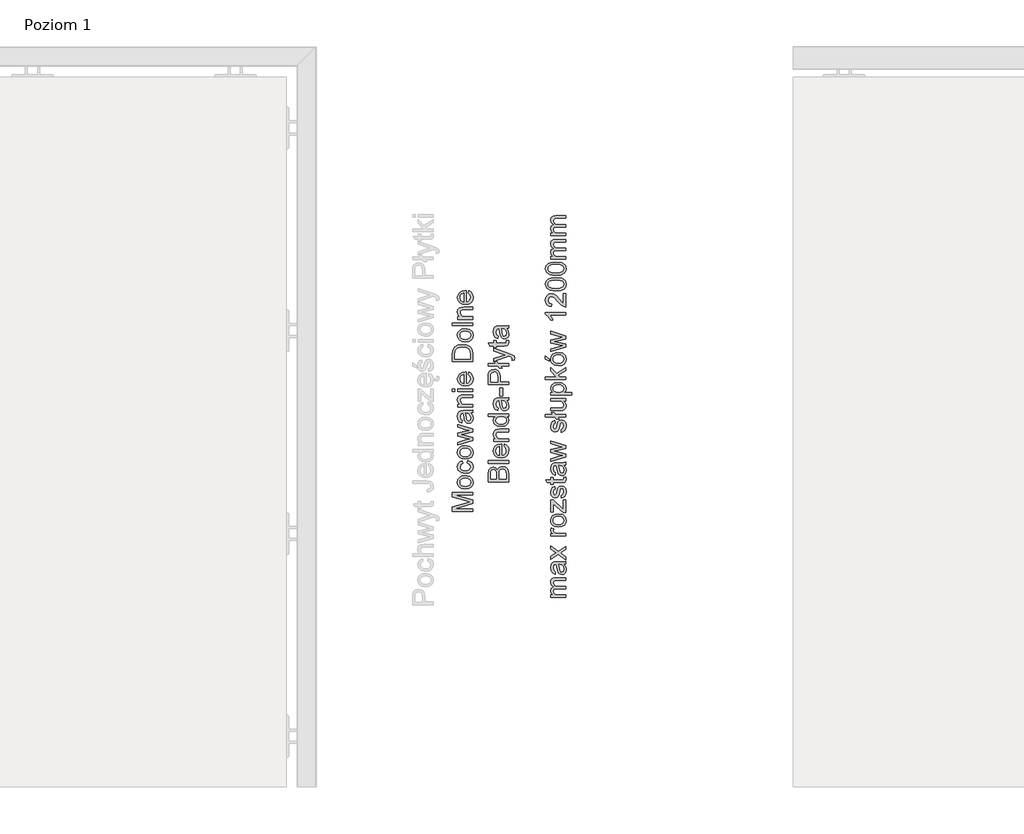
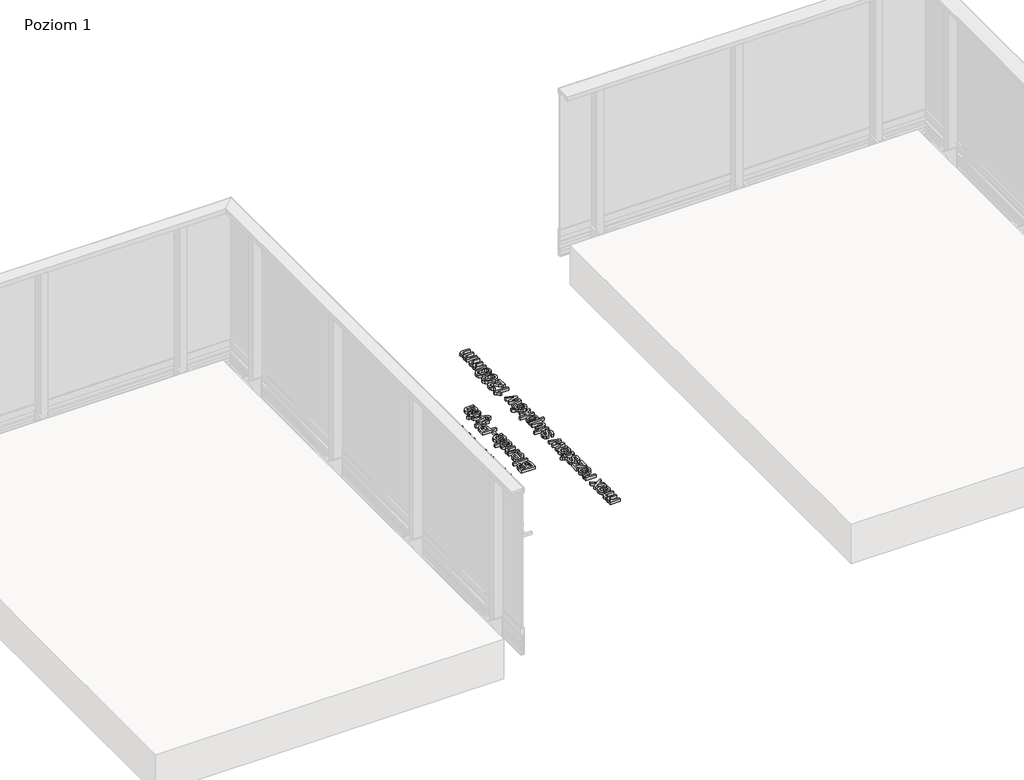
# One storey, part 18 of 35: 3 proxies.
"""IFC4 building model written with IfcOpenShell, lengths in millimetres."""

from ifc_helpers import new_model, si_unit, origin, origin_with_axes, place, context, project, spatial, polyline, outline, extrude, element, save

model = new_model("IFC4")

# Units and contexts
model_context = context("Model", 3, world=origin())
ifc_project = project(units=[si_unit("LENGTHUNIT", "METRE", prefix="MILLI")], contexts=[model_context])

# Site, building, storey
site = spatial("IfcSite", under=ifc_project)
building = spatial("IfcBuilding", under=site)
storey = spatial("IfcBuildingStorey", under=building, Name="Poziom 1", Elevation=0.0)

# Proxies
placement = place(None, origin())
element("IfcBuildingElementProxy", 1, Name="Generic Models", at=placement, inside=storey, context=model_context, shape_type="SweptSolid", body=[
    extrude(outline(polyline([(10311.0111089, -8270.0219111), (10210.5547987, -8270.0219111), (10210.5547987, -8248.4149753), (10281.3598201, -8227.8626345), (10296.1486763, -8223.7178306), (10280.1335468, -8219.2296703), (10210.5547987, -8199.020686), (10210.5547987, -8177.4137502), (10311.0111089, -8177.4137502), (10311.0111089, -8189.970789), (10223.1118375, -8189.970789), (10311.0111089, -8215.2074938), (10311.0111089, -8232.2281675), (10223.1118375, -8257.4648723), (10311.0111089, -8257.4648723), (10311.0111089, -8270.0219111)])), origin_with_axes(), (0.0, 0.0, 1.0), 20.0),
    extrude(outline(polyline([(10274.1248075, -8160.1478219), (10256.337713, -8157.4316265), (10243.8358566, -8149.2830403), (10237.7106214, -8139.2153364), (10235.6688763, -8127.1610696), (10238.1551454, -8113.9694344), (10245.6139529, -8103.432681), (10257.4566874, -8096.5256965), (10273.0947379, -8094.2233683), (10295.4374378, -8098.2945958), (10308.0803157, -8110.1526587), (10312.5807387, -8127.1610696), (10310.1036666, -8140.5121204), (10302.6724503, -8151.0366111), (10290.5813954, -8157.8700192), (10274.1248075, -8160.1478219)]), holes=[polyline([(10274.100282, -8147.5907831), (10285.46477, -8146.1376492), (10293.5612396, -8141.7782476), (10298.4080849, -8135.2176853), (10300.0237, -8127.1610696), (10298.3988878, -8119.1412421), (10293.5244514, -8112.5929426), (10285.3206829, -8108.233541), (10273.7078746, -8106.7804071), (10262.6744804, -8108.242738), (10254.6883754, -8112.6297308), (10249.8415301, -8119.1872274), (10248.225915, -8127.1610696), (10249.8353988, -8135.2176853), (10254.66385, -8141.7782476), (10262.7419254, -8146.1376492), (10274.100282, -8147.5907831)])]), origin_with_axes(), (0.0, 0.0, 1.0), 20.0),
    extrude(outline(polyline([(10284.3274015, -8033.0078043), (10285.8970314, -8020.4507656), (10297.0653156, -8023.9517759), (10305.5051417, -8030.5307322), (10310.8118395, -8039.5683666), (10312.5807387, -8050.4454109), (10310.1128637, -8063.802593), (10302.7092385, -8074.247376), (10290.6948257, -8080.9888136), (10274.3945876, -8083.2359594), (10253.5356785, -8079.3977239), (10240.1325112, -8067.6990765), (10235.6688763, -8050.6170892), (10237.2017179, -8040.0067593), (10241.8002429, -8031.5240136), (10249.2191964, -8025.4386323), (10259.213324, -8022.0203954), (10260.7829538, -8034.5774342), (10251.3774375, -8040.4022324), (10248.225915, -8050.5189873), (10249.7771508, -8058.633851), (10254.430858, -8065.0748516), (10262.4384228, -8069.2779034), (10274.0512311, -8070.6789207), (10285.8203893, -8069.3085602), (10293.8555452, -8065.1974789), (10298.4816613, -8058.8729743), (10300.0237, -8050.8623438), (10296.1732018, -8039.0288063), (10284.3274015, -8033.0078043)])), origin_with_axes(), (0.0, 0.0, 1.0), 20.0),
    extrude(outline(polyline([(10274.1248075, -8012.6026163), (10256.337713, -8009.8864209), (10243.8358566, -8001.7378348), (10237.7106214, -7991.6701308), (10235.6688763, -7979.6158641), (10238.1551454, -7966.4242289), (10245.6139529, -7955.8874754), (10257.4566874, -7948.980491), (10273.0947379, -7946.6781628), (10295.4374378, -7950.7493902), (10308.0803157, -7962.6074532), (10312.5807387, -7979.6158641), (10310.1036666, -7992.9669149), (10302.6724503, -8003.4914056), (10290.5813954, -8010.3248137), (10274.1248075, -8012.6026163)]), holes=[polyline([(10274.100282, -8000.0455776), (10285.46477, -7998.5924437), (10293.5612396, -7994.2330421), (10298.4080849, -7987.6724798), (10300.0237, -7979.6158641), (10298.3988878, -7971.5960366), (10293.5244514, -7965.0477371), (10285.3206829, -7960.6883355), (10273.7078746, -7959.2352016), (10262.6744804, -7960.6975325), (10254.6883754, -7965.0845253), (10249.8415301, -7971.6420219), (10248.225915, -7979.6158641), (10249.8353988, -7987.6724798), (10254.66385, -7994.2330421), (10262.7419254, -7998.5924437), (10274.100282, -8000.0455776)])]), origin_with_axes(), (0.0, 0.0, 1.0), 20.0),
    extrude(outline(polyline([(10311.0111089, -7920.3132865), (10237.2385061, -7942.7540882), (10237.2385061, -7929.7065401), (10280.2806996, -7916.9778231), (10295.658167, -7913.1763758), (10280.8447853, -7910.0616416), (10237.2385061, -7899.932624), (10237.2385061, -7884.9720895), (10280.722158, -7874.8921228), (10294.137588, -7872.1207451), (10279.986394, -7868.1476196), (10237.2385061, -7855.3943771), (10237.2385061, -7842.297778), (10311.0111089, -7864.910258), (10311.0111089, -7880.0915217), (10267.7481863, -7889.73003), (10254.2591798, -7892.5259331), (10311.0111089, -7904.9603446), (10311.0111089, -7920.3132865)])), origin_with_axes(), (0.0, 0.0, 1.0), 20.0),
    extrude(outline(polyline([(10301.5933298, -7786.5759185), (10310.1036666, -7798.7528126), (10312.5807387, -7812.2050308), (10311.0908167, -7822.6988648), (10306.6210504, -7830.4397151), (10299.8336276, -7835.212984), (10291.3907358, -7836.8040736), (10281.4579219, -7834.4005779), (10274.2474348, -7828.0852703), (10270.1271565, -7819.2928906), (10268.2386956, -7808.428109), (10263.9222135, -7786.6494949), (10261.1263103, -7786.5759185), (10251.8556841, -7790.0340093), (10248.225915, -7803.9154232), (10250.6416735, -7816.6196148), (10259.213324, -7822.677405), (10257.6436941, -7835.2344437), (10245.380961, -7829.8020529), (10238.1949993, -7818.863695), (10235.6688763, -7802.2967424), (10237.9006937, -7787.0786906), (10243.5047628, -7778.4825146), (10252.0273623, -7774.6320164), (10263.0147713, -7774.0188797), (10278.6374933, -7774.0188797), (10300.4528956, -7773.3812176), (10311.0111089, -7770.87962), (10311.0111089, -7783.4366588), (10301.5933298, -7786.5759185)]), holes=[polyline([(10276.4792523, -7786.5759185), (10280.3297505, -7806.8339537), (10282.3653642, -7817.6374216), (10285.6763022, -7822.5302522), (10290.507819, -7824.2470348), (10297.3013732, -7820.5069012), (10300.0237, -7809.531755), (10297.0193303, -7796.8275634), (10289.7475296, -7788.6360577), (10280.0354449, -7786.6494949), (10276.4792523, -7786.5759185)])]), origin_with_axes(), (0.0, 0.0, 1.0), 20.0),
    extrude(outline(polyline([(10311.0111089, -7756.7529514), (10237.2385061, -7756.7529514), (10237.2385061, -7744.1959127), (10247.539202, -7744.1959127), (10238.6364577, -7734.5941926), (10235.6688763, -7721.4853308), (10238.0601092, -7709.6272679), (10244.3386286, -7701.533864), (10253.5724667, -7697.7692049), (10265.7125726, -7697.1070173), (10311.0111089, -7697.1070173), (10311.0111089, -7709.6640561), (10267.4048297, -7709.6640561), (10256.2947935, -7711.1110586), (10250.4209443, -7716.2246183), (10248.225915, -7724.8453197), (10253.1555338, -7738.4692163), (10260.2985759, -7742.7642386), (10271.8684646, -7744.1959127), (10311.0111089, -7744.1959127), (10311.0111089, -7756.7529514)])), origin_with_axes(), (0.0, 0.0, 1.0), 20.0),
    extrude(outline(polyline([(10223.1118375, -7679.841089), (10210.5547987, -7679.841089), (10210.5547987, -7667.2840502), (10223.1118375, -7667.2840502), (10223.1118375, -7679.841089)])), origin_with_axes(), (0.0, 0.0, 1.0), 20.0),
    extrude(outline(polyline([(10311.0111089, -7679.841089), (10237.2385061, -7679.841089), (10237.2385061, -7667.2840502), (10311.0111089, -7667.2840502), (10311.0111089, -7679.841089)])), origin_with_axes(), (0.0, 0.0, 1.0), 20.0),
    extrude(outline(polyline([(10289.036291, -7596.7978599), (10290.6059209, -7584.4860758), (10299.8826785, -7588.9221196), (10306.8172541, -7596.0007823), (10311.1398676, -7605.5626485), (10312.5807387, -7617.4483026), (10310.0944696, -7632.1819765), (10302.6356621, -7643.5188733), (10290.6886943, -7650.7477545), (10274.7379442, -7653.1573816), (10258.2506994, -7650.7232291), (10245.9205212, -7643.4207715), (10238.2317875, -7632.2371588), (10235.6688763, -7618.1595411), (10238.2256561, -7604.5203161), (10245.8959957, -7593.621812), (10258.2016485, -7586.4757043), (10274.6643678, -7584.0936684), (10278.0488821, -7584.1672448), (10278.0488821, -7640.6003428), (10287.4482671, -7638.4267734), (10294.3583172, -7633.377593), (10298.6073543, -7626.0904638), (10300.0237, -7617.2030479), (10297.3994751, -7604.8912638), (10289.036291, -7596.7978599)]), holes=[polyline([(10265.4918434, -7640.6003428), (10265.4918434, -7596.6507071), (10254.112027, -7601.6784277), (10249.697443, -7608.9992794), (10248.225915, -7618.2085921), (10252.9225419, -7633.6718986), (10258.4131806, -7638.537138), (10265.4918434, -7640.6003428)])]), origin_with_axes(), (0.0, 0.0, 1.0), 20.0),
    extrude(outline(polyline([(10311.0111089, -7530.7262536), (10210.5547987, -7530.7262536), (10210.5547987, -7496.0717697), (10212.0018013, -7478.1436538), (10219.1877629, -7463.379323), (10236.3555893, -7451.4844718), (10260.2433936, -7447.5358718), (10280.5136915, -7450.2091476), (10295.1431322, -7457.0762782), (10304.2543429, -7466.2488026), (10309.2943262, -7478.2540184), (10311.0111089, -7494.4040379), (10311.0111089, -7530.7262536)]), holes=[polyline([(10298.4540701, -7518.1692148), (10298.4540701, -7495.9491423), (10296.6391856, -7479.78686), (10291.5133631, -7470.4671828), (10279.0421635, -7462.8275), (10260.0471898, -7460.0929105), (10246.3619796, -7461.4326141), (10236.2574875, -7465.4517249), (10225.1229257, -7478.4870103), (10223.1118375, -7496.2924988), (10223.1118375, -7518.1692148), (10298.4540701, -7518.1692148)])]), origin_with_axes(), (0.0, 0.0, 1.0), 20.0),
    extrude(outline(polyline([(10274.1248075, -7434.978833), (10256.337713, -7432.2626376), (10243.8358566, -7424.1140514), (10237.7106214, -7414.0463475), (10235.6688763, -7401.9920808), (10238.1551454, -7388.8004455), (10245.6139529, -7378.2636921), (10257.4566874, -7371.3567076), (10273.0947379, -7369.0543795), (10295.4374378, -7373.1256069), (10308.0803157, -7384.9836698), (10312.5807387, -7401.9920808), (10310.1036666, -7415.3431315), (10302.6724503, -7425.8676222), (10290.5813954, -7432.7010303), (10274.1248075, -7434.978833)]), holes=[polyline([(10274.100282, -7422.4217942), (10285.46477, -7420.9686603), (10293.5612396, -7416.6092587), (10298.4080849, -7410.0486964), (10300.0237, -7401.9920808), (10298.3988878, -7393.9722533), (10293.5244514, -7387.4239537), (10285.3206829, -7383.0645521), (10273.7078746, -7381.6114182), (10262.6744804, -7383.0737492), (10254.6883754, -7387.4607419), (10249.8415301, -7394.0182385), (10248.225915, -7401.9920808), (10249.8353988, -7410.0486964), (10254.66385, -7416.6092587), (10262.7419254, -7420.9686603), (10274.100282, -7422.4217942)])]), origin_with_axes(), (0.0, 0.0, 1.0), 20.0),
    extrude(outline(polyline([(10311.0111089, -7354.9277108), (10210.5547987, -7354.9277108), (10210.5547987, -7342.3706721), (10311.0111089, -7342.3706721), (10311.0111089, -7354.9277108)])), origin_with_axes(), (0.0, 0.0, 1.0), 20.0),
    extrude(outline(polyline([(10311.0111089, -7323.5351139), (10237.2385061, -7323.5351139), (10237.2385061, -7310.9780751), (10247.539202, -7310.9780751), (10238.6364577, -7301.3763551), (10235.6688763, -7288.2674933), (10238.0601092, -7276.4094303), (10244.3386286, -7268.3160264), (10253.5724667, -7264.5513674), (10265.7125726, -7263.8891798), (10311.0111089, -7263.8891798), (10311.0111089, -7276.4462185), (10267.4048297, -7276.4462185), (10256.2947935, -7277.893221), (10250.4209443, -7283.0067808), (10248.225915, -7291.6274822), (10253.1555338, -7305.2513788), (10260.2985759, -7309.546401), (10271.8684646, -7310.9780751), (10311.0111089, -7310.9780751), (10311.0111089, -7323.5351139)])), origin_with_axes(), (0.0, 0.0, 1.0), 20.0),
    extrude(outline(polyline([(10289.036291, -7194.9726193), (10290.6059209, -7182.6608352), (10299.8826785, -7187.096879), (10306.8172541, -7194.1755417), (10311.1398676, -7203.7374079), (10312.5807387, -7215.623062), (10310.0944696, -7230.3567359), (10302.6356621, -7241.6936327), (10290.6886943, -7248.9225139), (10274.7379442, -7251.332141), (10258.2506994, -7248.8979885), (10245.9205212, -7241.5955309), (10238.2317875, -7230.4119182), (10235.6688763, -7216.3343005), (10238.2256561, -7202.6950755), (10245.8959957, -7191.7965714), (10258.2016485, -7184.6504637), (10274.6643678, -7182.2684278), (10278.0488821, -7182.3420042), (10278.0488821, -7238.7751022), (10287.4482671, -7236.6015328), (10294.3583172, -7231.5523524), (10298.6073543, -7224.2652232), (10300.0237, -7215.3778073), (10297.3994751, -7203.0660232), (10289.036291, -7194.9726193)]), holes=[polyline([(10265.4918434, -7238.7751022), (10265.4918434, -7194.8254665), (10254.112027, -7199.8531871), (10249.697443, -7207.1740388), (10248.225915, -7216.3833515), (10252.9225419, -7231.846658), (10258.4131806, -7236.7118974), (10265.4918434, -7238.7751022)])]), origin_with_axes(), (0.0, 0.0, 1.0), 20.0),
])
element("IfcBuildingElementProxy", 2, Name="Generic Models", at=placement, inside=storey, context=model_context, shape_type="SweptSolid", body=[
    extrude(outline(polyline([(10487.3598268, -8124.2917723), (10386.9035167, -8124.2917723), (10386.9035167, -8085.9584684), (10389.8588354, -8067.184224), (10398.9455207, -8056.0987132), (10411.796865, -8052.0887994), (10423.5323007, -8055.461051), (10432.4227822, -8065.6513823), (10441.7915104, -8053.2782845), (10457.4142324, -8048.9495397), (10470.9155017, -8051.9048584), (10480.5294845, -8059.2257101), (10485.6307815, -8070.1518054), (10487.3598268, -8086.252774), (10487.3598268, -8124.2917723)]), holes=[polyline([(10427.7138927, -8111.7347336), (10427.7138927, -8088.8034225), (10426.6347722, -8075.4125179), (10421.9871963, -8067.3559022), (10413.8079533, -8064.6458382), (10405.6164475, -8067.1719612), (10400.7726679, -8074.4069738), (10399.4605555, -8090.5447307), (10399.4605555, -8111.7347336), (10427.7138927, -8111.7347336)]), polyline([(10474.8027881, -8111.7347336), (10474.8027881, -8085.9829939), (10474.3122788, -8076.6633167), (10471.5776893, -8068.7783793), (10465.9981457, -8063.5544549), (10457.5368598, -8061.5065785), (10447.7757242, -8063.9100742), (10441.9509259, -8071.6969098), (10440.2709315, -8087.2092672), (10440.2709315, -8111.7347336), (10474.8027881, -8111.7347336)])]), origin_with_axes(), (0.0, 0.0, 1.0), 20.0),
    extrude(outline(polyline([(10487.3598268, -8033.2532413), (10386.9035167, -8033.2532413), (10386.9035167, -8020.6962025), (10487.3598268, -8020.6962025), (10487.3598268, -8033.2532413)])), origin_with_axes(), (0.0, 0.0, 1.0), 20.0),
    extrude(outline(polyline([(10465.385009, -7950.2100122), (10466.9546388, -7937.8982281), (10476.2313965, -7942.3342718), (10483.1659721, -7949.4129346), (10487.4885855, -7958.9748008), (10488.9294567, -7970.8604549), (10486.4431875, -7985.5941288), (10478.9843801, -7996.9310256), (10467.0374123, -8004.1599068), (10451.0866621, -8006.5695339), (10434.5994174, -8004.1353814), (10422.2692392, -7996.8329237), (10414.5805055, -7985.6493111), (10412.0175942, -7971.5716934), (10414.5743741, -7957.9324684), (10422.2447137, -7947.0339643), (10434.5503664, -7939.8878566), (10451.0130857, -7937.5058207), (10454.3976001, -7937.5793971), (10454.3976001, -7994.0124951), (10463.7969851, -7991.8389257), (10470.7070352, -7986.7897453), (10474.9560722, -7979.5026161), (10476.3724179, -7970.6152002), (10473.748193, -7958.3034161), (10465.385009, -7950.2100122)]), holes=[polyline([(10441.8405613, -7994.0124951), (10441.8405613, -7950.0628594), (10430.4607449, -7955.09058), (10426.046161, -7962.4114317), (10424.574633, -7971.6207443), (10429.2712598, -7987.0840509), (10434.7618986, -7991.9492903), (10441.8405613, -7994.0124951)])]), origin_with_axes(), (0.0, 0.0, 1.0), 20.0),
    extrude(outline(polyline([(10487.3598268, -7924.9487819), (10413.5872241, -7924.9487819), (10413.5872241, -7912.3917431), (10423.8879199, -7912.3917431), (10414.9851757, -7902.790023), (10412.0175942, -7889.6811613), (10414.4088272, -7877.8230983), (10420.6873466, -7869.7296944), (10429.9211847, -7865.9650353), (10442.0612905, -7865.3028477), (10487.3598268, -7865.3028477), (10487.3598268, -7877.8598865), (10443.7535477, -7877.8598865), (10432.6435114, -7879.306889), (10426.7696622, -7884.4204488), (10424.574633, -7893.0411502), (10429.5042517, -7906.6650467), (10436.6472938, -7910.960069), (10448.2171826, -7912.3917431), (10487.3598268, -7912.3917431), (10487.3598268, -7924.9487819)])), origin_with_axes(), (0.0, 0.0, 1.0), 20.0),
    extrude(outline(polyline([(10487.3598268, -7802.5176539), (10475.5140266, -7802.5176539), (10485.5755992, -7810.8256556), (10488.9294567, -7822.3097052), (10484.0734144, -7837.8588509), (10470.5230942, -7848.8462598), (10450.5471019, -7852.745809), (10430.5588468, -7849.1528282), (10416.8000602, -7838.3861484), (10412.0175942, -7822.3587562), (10415.4388968, -7810.7827361), (10424.3293783, -7802.5176539), (10386.9035167, -7802.5176539), (10386.9035167, -7789.9606151), (10487.3598268, -7789.9606151), (10487.3598268, -7802.5176539)]), holes=[polyline([(10450.4980509, -7840.1887702), (10461.8564075, -7838.7724245), (10469.934483, -7834.5233875), (10474.7629342, -7828.3491013), (10476.3724179, -7821.1570083), (10474.8365106, -7813.967981), (10470.2287886, -7807.9500447), (10462.4634128, -7803.8757516), (10451.4545441, -7802.5176539), (10439.4186715, -7803.9002771), (10431.0738816, -7808.0481466), (10426.1994452, -7814.219367), (10424.574633, -7821.6720431), (10426.1350658, -7828.9377125), (10430.8163642, -7834.8912695), (10438.8576515, -7838.864395), (10450.4980509, -7840.1887702)])]), origin_with_axes(), (0.0, 0.0, 1.0), 20.0),
    extrude(outline(polyline([(10477.9420478, -7724.0361616), (10486.4523846, -7736.2130556), (10488.9294567, -7749.6652739), (10487.4395346, -7760.1591078), (10482.9697684, -7767.8999581), (10476.1823456, -7772.673227), (10467.7394538, -7774.2643167), (10457.8066399, -7771.860821), (10450.5961528, -7765.5455134), (10446.4758745, -7756.7531337), (10444.5874135, -7745.8883521), (10440.2709315, -7724.109738), (10437.4750283, -7724.0361616), (10428.204402, -7727.4942523), (10424.574633, -7741.3756663), (10426.9903914, -7754.0798579), (10435.5620419, -7760.1376481), (10433.9924121, -7772.6946868), (10421.7296789, -7767.262296), (10414.5437173, -7756.323938), (10412.0175942, -7739.7569855), (10414.2494117, -7724.5389337), (10419.8534807, -7715.9427577), (10428.3760803, -7712.0922595), (10439.3634892, -7711.4791228), (10454.9862113, -7711.4791228), (10476.8016136, -7710.8414607), (10487.3598268, -7708.3398631), (10487.3598268, -7720.8969019), (10477.9420478, -7724.0361616)]), holes=[polyline([(10452.8279702, -7724.0361616), (10456.6784685, -7744.2941968), (10458.7140822, -7755.0976647), (10462.0250201, -7759.9904953), (10466.856537, -7761.7072779), (10473.6500912, -7757.9671443), (10476.3724179, -7746.9919981), (10473.3680483, -7734.2878065), (10466.0962475, -7726.0963008), (10456.3841629, -7724.109738), (10452.8279702, -7724.0361616)])]), origin_with_axes(), (0.0, 0.0, 1.0), 20.0),
    extrude(outline(polyline([(10457.5368598, -7700.4917139), (10444.979821, -7700.4917139), (10444.979821, -7661.2509677), (10457.5368598, -7661.2509677), (10457.5368598, -7700.4917139)])), origin_with_axes(), (0.0, 0.0, 1.0), 20.0),
    extrude(outline(polyline([(10487.3598268, -7645.5546693), (10386.9035167, -7645.5546693), (10386.9035167, -7608.3250114), (10387.8600099, -7593.315426), (10392.5566367, -7581.1140065), (10402.2687214, -7573.2045436), (10415.9661943, -7570.2124367), (10427.8058632, -7572.232722), (10437.671232, -7578.2935778), (10444.3298961, -7589.627409), (10446.5494509, -7607.4666201), (10446.5494509, -7632.9976305), (10487.3598268, -7632.9976305), (10487.3598268, -7645.5546693)]), holes=[polyline([(10433.9924121, -7632.9976305), (10433.9924121, -7606.7308561), (10429.3816244, -7588.2386544), (10423.8327376, -7584.1367702), (10416.4076527, -7582.7694754), (10406.008855, -7585.9945743), (10400.3189468, -7594.4681229), (10399.4605555, -7607.0251617), (10399.4605555, -7632.9976305), (10433.9924121, -7632.9976305)])]), origin_with_axes(), (0.0, 0.0, 1.0), 20.0),
    extrude(outline(polyline([(10447.6530968, -7554.5161382), (10455.182415, -7563.9339173), (10441.0557464, -7563.9339173), (10433.5264282, -7554.5161382), (10386.9035167, -7554.5161382), (10386.9035167, -7541.9590994), (10423.470987, -7541.9590994), (10415.9416689, -7532.5413204), (10430.0683375, -7532.5413204), (10437.5976556, -7541.9590994), (10487.3598268, -7541.9590994), (10487.3598268, -7554.5161382), (10447.6530968, -7554.5161382)])), origin_with_axes(), (0.0, 0.0, 1.0), 20.0),
    extrude(outline(polyline([(10515.6131641, -7523.1235413), (10503.5221092, -7524.6931711), (10504.6257552, -7518.3165499), (10503.2400663, -7512.3568616), (10499.3773054, -7508.7025671), (10490.1312045, -7505.2690018), (10487.0900467, -7504.2879831), (10413.5872241, -7530.9716905), (10413.5872241, -7517.7279387), (10454.5447529, -7503.5767446), (10470.9277644, -7498.6471259), (10456.4577393, -7493.7175071), (10413.5872241, -7479.1739056), (10413.5872241, -7466.0282556), (10489.1256604, -7491.7064189), (10505.5086719, -7498.3773457), (10514.3623653, -7505.6614093), (10517.1827939, -7515.4470703), (10515.6131641, -7523.1235413)])), origin_with_axes(), (0.0, 0.0, 1.0), 20.0),
    extrude(outline(polyline([(10476.8874527, -7428.9457505), (10487.7277088, -7427.3761207), (10488.9294567, -7436.7693743), (10486.8447921, -7447.2907994), (10481.3756131, -7452.5392492), (10467.1263171, -7454.0598281), (10426.1442629, -7454.0598281), (10426.1442629, -7463.4776071), (10413.5872241, -7463.4776071), (10413.5872241, -7454.0598281), (10395.6591082, -7454.0598281), (10388.2769428, -7441.5027893), (10413.5872241, -7441.5027893), (10413.5872241, -7428.9457505), (10426.1442629, -7428.9457505), (10426.1442629, -7441.5027893), (10466.7584351, -7441.5027893), (10473.2331582, -7440.8406017), (10475.5262893, -7438.6946234), (10476.3724179, -7434.4149295), (10476.8874527, -7428.9457505)])), origin_with_axes(), (0.0, 0.0, 1.0), 20.0),
    extrude(outline(polyline([(10477.9420478, -7369.2998164), (10486.4523846, -7381.4767104), (10488.9294567, -7394.9289287), (10487.4395346, -7405.4227626), (10482.9697684, -7413.1636129), (10476.1823456, -7417.9368818), (10467.7394538, -7419.5279715), (10457.8066399, -7417.1244757), (10450.5961528, -7410.8091682), (10446.4758745, -7402.0167885), (10444.5874135, -7391.1520069), (10440.2709315, -7369.3733928), (10437.4750283, -7369.2998164), (10428.204402, -7372.7579071), (10424.574633, -7386.6393211), (10426.9903914, -7399.3435126), (10435.5620419, -7405.4013028), (10433.9924121, -7417.9583416), (10421.7296789, -7412.5259508), (10414.5437173, -7401.5875928), (10412.0175942, -7385.0206403), (10414.2494117, -7369.8025884), (10419.8534807, -7361.2064125), (10428.3760803, -7357.3559143), (10439.3634892, -7356.7427776), (10454.9862113, -7356.7427776), (10476.8016136, -7356.1051155), (10487.3598268, -7353.6035179), (10487.3598268, -7366.1605567), (10477.9420478, -7369.2998164)]), holes=[polyline([(10452.8279702, -7369.2998164), (10456.6784685, -7389.5578516), (10458.7140822, -7400.3613195), (10462.0250201, -7405.25415), (10466.856537, -7406.9709327), (10473.6500912, -7403.2307991), (10476.3724179, -7392.2556529), (10473.3680483, -7379.5514613), (10466.0962475, -7371.3599555), (10456.3841629, -7369.3733928), (10452.8279702, -7369.2998164)])]), origin_with_axes(), (0.0, 0.0, 1.0), 20.0),
])
element("IfcBuildingElementProxy", 3, Name="Generic Models", at=placement, inside=storey, context=model_context, shape_type="SweptSolid", body=[
    extrude(outline(polyline([(10769.7173752, -8695.0976583), (10695.9447724, -8695.0976583), (10695.9447724, -8682.5406196), (10708.0848783, -8682.5406196), (10698.1398017, -8673.9076554), (10694.3751426, -8661.6203968), (10698.2133781, -8649.0388325), (10708.9677951, -8642.122651), (10698.0233057, -8632.3247272), (10694.3751426, -8619.9516294), (10695.8926558, -8610.5123906), (10700.4451955, -8603.5318297), (10708.155389, -8599.2184133), (10719.1458636, -8597.7806079), (10769.7173752, -8597.7806079), (10769.7173752, -8610.3376466), (10724.5414662, -8610.3376466), (10714.0568293, -8611.5026063), (10708.8942187, -8615.7209865), (10706.9321813, -8622.8946854), (10711.959902, -8635.2432577), (10718.5020701, -8638.9312747), (10728.0731333, -8640.1606137), (10769.7173752, -8640.1606137), (10769.7173752, -8652.7176525), (10723.1435146, -8652.7176525), (10710.9788833, -8655.6239202), (10706.9321813, -8665.1520639), (10709.6299826, -8674.4472157), (10717.5271828, -8680.6276332), (10732.5122427, -8682.5406196), (10769.7173752, -8682.5406196), (10769.7173752, -8695.0976583)])), origin_with_axes(), (0.0, 0.0, 1.0), 20.0),
    extrude(outline(polyline([(10760.2995961, -8531.8561543), (10768.8099329, -8544.0330484), (10771.287005, -8557.4852667), (10769.797083, -8567.9791006), (10765.3273167, -8575.7199509), (10758.5398939, -8580.4932198), (10750.0970021, -8582.0843094), (10740.1641882, -8579.6808137), (10732.9537011, -8573.3655061), (10728.8334228, -8564.5731264), (10726.9449619, -8553.7083448), (10722.6284798, -8531.9297307), (10719.8325766, -8531.8561543), (10710.5619504, -8535.3142451), (10706.9321813, -8549.195659), (10709.3479398, -8561.8998506), (10717.9195903, -8567.9576408), (10716.3499604, -8580.5146796), (10704.0872273, -8575.0822888), (10696.9012656, -8564.1439308), (10694.3751426, -8547.5769783), (10696.60696, -8532.3589264), (10702.2110291, -8523.7627504), (10710.7336286, -8519.9122522), (10721.7210376, -8519.2991156), (10737.3437596, -8519.2991156), (10759.1591619, -8518.6614534), (10769.7173752, -8516.1598559), (10769.7173752, -8528.7168946), (10760.2995961, -8531.8561543)]), holes=[polyline([(10735.1855186, -8531.8561543), (10739.0360168, -8552.1141895), (10741.0716305, -8562.9176575), (10744.3825685, -8567.810488), (10749.2140853, -8569.5272706), (10756.0076395, -8565.787137), (10758.7299663, -8554.8119908), (10755.7255966, -8542.1077993), (10748.4537959, -8533.9162935), (10738.7417112, -8531.9297307), (10735.1855186, -8531.8561543)])]), origin_with_axes(), (0.0, 0.0, 1.0), 20.0),
    extrude(outline(polyline([(10769.7173752, -8509.8813365), (10732.6348701, -8483.0504763), (10695.9447724, -8508.3117066), (10695.9447724, -8493.2040194), (10713.6031082, -8481.0148626), (10721.9417668, -8475.3249544), (10715.1236871, -8470.3953357), (10695.9447724, -8456.5139217), (10695.9447724, -8441.4062344), (10732.6348701, -8467.942789), (10769.7173752, -8442.3872531), (10769.7173752, -8457.4949404), (10747.4237263, -8472.8724078), (10743.3524989, -8475.6928364), (10769.7173752, -8494.7736492), (10769.7173752, -8509.8813365)])), origin_with_axes(), (0.0, 0.0, 1.0), 20.0),
    extrude(outline(polyline([(10769.7173752, -8392.159098), (10695.9447724, -8392.159098), (10695.9447724, -8381.1716891), (10706.858605, -8381.1716891), (10696.8031637, -8373.3725908), (10694.3751426, -8365.5244416), (10698.2501663, -8352.9183519), (10709.5073553, -8357.1122066), (10706.9321813, -8365.9413745), (10709.4092535, -8373.041497), (10716.276384, -8377.5664456), (10730.9426129, -8379.6020593), (10769.7173752, -8379.6020593), (10769.7173752, -8392.159098)])), origin_with_axes(), (0.0, 0.0, 1.0), 20.0),
    extrude(outline(polyline([(10732.8310738, -8348.2094623), (10715.0439793, -8345.4932669), (10702.5421229, -8337.3446807), (10696.4168877, -8327.2769768), (10694.3751426, -8315.2227101), (10696.8614117, -8302.0310749), (10704.3202192, -8291.4943214), (10716.1629537, -8284.587337), (10731.8010042, -8282.2850088), (10754.1437041, -8286.3562362), (10766.786582, -8298.2142992), (10771.287005, -8315.2227101), (10768.8099329, -8328.5737608), (10761.3787166, -8339.0982516), (10749.2876617, -8345.9316596), (10732.8310738, -8348.2094623)]), holes=[polyline([(10732.8065483, -8335.6524236), (10744.1710363, -8334.1992897), (10752.2675059, -8329.839888), (10757.1143512, -8323.2793258), (10758.7299663, -8315.2227101), (10757.1051541, -8307.2028826), (10752.2307177, -8300.6545831), (10744.0269492, -8296.2951815), (10732.4141409, -8294.8420476), (10721.3807467, -8296.3043785), (10713.3946417, -8300.6913713), (10708.5477964, -8307.2488679), (10706.9321813, -8315.2227101), (10708.5416651, -8323.2793258), (10713.3701163, -8329.839888), (10721.4481917, -8334.1992897), (10732.8065483, -8335.6524236)])]), origin_with_axes(), (0.0, 0.0, 1.0), 20.0),
    extrude(outline(polyline([(10769.7173752, -8276.0064894), (10757.8961004, -8276.0064894), (10708.5018112, -8232.6699904), (10708.5018112, -8245.4968093), (10708.5018112, -8272.8672297), (10695.9447724, -8272.8672297), (10695.9447724, -8214.7909254), (10706.6133503, -8214.7909254), (10750.4403586, -8253.2223312), (10757.1603364, -8259.1084431), (10757.1603364, -8244.589367), (10757.1603364, -8213.2212956), (10769.7173752, -8213.2212956), (10769.7173752, -8276.0064894)])), origin_with_axes(), (0.0, 0.0, 1.0), 20.0),
    extrude(outline(polyline([(10747.7425573, -8205.3731463), (10746.1729275, -8192.8161076), (10755.4926047, -8187.003572), (10758.7299663, -8173.6862438), (10755.7623848, -8160.8839504), (10748.7971524, -8156.7146211), (10743.1562951, -8160.9084759), (10739.5755771, -8173.8333966), (10733.4319477, -8192.7425312), (10726.2582488, -8200.9953506), (10716.1292312, -8203.8035165), (10706.7727658, -8201.5471736), (10699.6235924, -8195.3912815), (10695.9079842, -8187.4082422), (10694.3751426, -8176.6047743), (10696.8399519, -8161.3254088), (10703.5108788, -8151.6133241), (10714.7803306, -8147.296842), (10716.3499604, -8159.8538808), (10709.4215162, -8164.5750331), (10706.9321813, -8175.6237557), (10709.3111516, -8187.6412342), (10714.853907, -8191.2464777), (10718.5082015, -8189.7504243), (10721.2795792, -8185.0660602), (10723.952855, -8174.2503296), (10729.8634924, -8155.8194416), (10736.5589447, -8147.2600538), (10747.4727772, -8144.1575823), (10759.4902557, -8147.7996141), (10768.209059, -8158.3087764), (10771.287005, -8173.8579221), (10769.8032143, -8186.5191941), (10765.3518422, -8195.7591635), (10757.9819395, -8201.9273183), (10747.7425573, -8205.3731463)])), origin_with_axes(), (0.0, 0.0, 1.0), 20.0),
    extrude(outline(polyline([(10759.2450011, -8103.3472063), (10770.0852572, -8101.7775765), (10771.287005, -8111.1708301), (10769.2023404, -8121.6922552), (10763.7331614, -8126.940705), (10749.4838655, -8128.4612839), (10708.5018112, -8128.4612839), (10708.5018112, -8137.879063), (10695.9447724, -8137.879063), (10695.9447724, -8128.4612839), (10678.0166565, -8128.4612839), (10670.6344912, -8115.9042451), (10695.9447724, -8115.9042451), (10695.9447724, -8103.3472063), (10708.5018112, -8103.3472063), (10708.5018112, -8115.9042451), (10749.1159835, -8115.9042451), (10755.5907066, -8115.2420575), (10757.8838377, -8113.0960792), (10758.7299663, -8108.8163853), (10759.2450011, -8103.3472063)])), origin_with_axes(), (0.0, 0.0, 1.0), 20.0),
    extrude(outline(polyline([(10760.2995961, -8043.7012722), (10768.8099329, -8055.8781662), (10771.287005, -8069.3303845), (10769.797083, -8079.8242184), (10765.3273167, -8087.5650688), (10758.5398939, -8092.3383376), (10750.0970021, -8093.9294273), (10740.1641882, -8091.5259316), (10732.9537011, -8085.210624), (10728.8334228, -8076.4182443), (10726.9449619, -8065.5534627), (10722.6284798, -8043.7748486), (10719.8325766, -8043.7012722), (10710.5619504, -8047.1593629), (10706.9321813, -8061.0407769), (10709.3479398, -8073.7449685), (10717.9195903, -8079.8027587), (10716.3499604, -8092.3597974), (10704.0872273, -8086.9274066), (10696.9012656, -8075.9890486), (10694.3751426, -8059.4220961), (10696.60696, -8044.2040443), (10702.2110291, -8035.6078683), (10710.7336286, -8031.7573701), (10721.7210376, -8031.1442334), (10737.3437596, -8031.1442334), (10759.1591619, -8030.5065713), (10769.7173752, -8028.0049737), (10769.7173752, -8040.5620125), (10760.2995961, -8043.7012722)]), holes=[polyline([(10735.1855186, -8043.7012722), (10739.0360168, -8063.9593074), (10741.0716305, -8074.7627753), (10744.3825685, -8079.6556059), (10749.2140853, -8081.3723885), (10756.0076395, -8077.6322549), (10758.7299663, -8066.6571087), (10755.7255966, -8053.9529171), (10748.4537959, -8045.7614114), (10738.7417112, -8043.7748486), (10735.1855186, -8043.7012722)])]), origin_with_axes(), (0.0, 0.0, 1.0), 20.0),
    extrude(outline(polyline([(10769.7173752, -8001.6400974), (10695.9447724, -8024.0808991), (10695.9447724, -8011.033351), (10738.9869659, -7998.304634), (10754.3644333, -7994.5031867), (10739.5510516, -7991.3884525), (10695.9447724, -7981.2594349), (10695.9447724, -7966.2989004), (10739.4284243, -7956.2189337), (10752.8438543, -7953.447556), (10738.6926603, -7949.4744305), (10695.9447724, -7936.721188), (10695.9447724, -7923.624589), (10769.7173752, -7946.2370689), (10769.7173752, -7961.4183326), (10726.4544526, -7971.0568409), (10712.9654461, -7973.852744), (10769.7173752, -7986.2871555), (10769.7173752, -8001.6400974)])), origin_with_axes(), (0.0, 0.0, 1.0), 20.0),
    extrude(outline(polyline([(10747.7425573, -7880.4597682), (10746.1729275, -7867.9027294), (10755.4926047, -7862.0901939), (10758.7299663, -7848.7728657), (10755.7623848, -7835.9705723), (10748.7971524, -7831.801243), (10743.1562951, -7835.9950977), (10739.5755771, -7848.9200185), (10733.4319477, -7867.829153), (10726.2582488, -7876.0819725), (10716.1292312, -7878.8901384), (10706.7727658, -7876.6337955), (10699.6235924, -7870.4779034), (10695.9079842, -7862.4948641), (10694.3751426, -7851.6913962), (10696.8399519, -7836.4120306), (10703.5108788, -7826.699946), (10714.7803306, -7822.3834639), (10716.3499604, -7834.9405027), (10709.4215162, -7839.6616549), (10706.9321813, -7850.7103775), (10709.3111516, -7862.727856), (10714.853907, -7866.3330996), (10718.5082015, -7864.8370461), (10721.2795792, -7860.1526821), (10723.952855, -7849.3369514), (10729.8634924, -7830.9060635), (10736.5589447, -7822.3466757), (10747.4727772, -7819.2442042), (10759.4902557, -7822.886236), (10768.209059, -7833.3953983), (10771.287005, -7848.9445439), (10769.8032143, -7861.6058159), (10765.3518422, -7870.8457854), (10757.9819395, -7877.0139402), (10747.7425573, -7880.4597682)])), origin_with_axes(), (0.0, 0.0, 1.0), 20.0),
    extrude(outline(polyline([(10730.0106452, -7805.1175356), (10737.5399633, -7814.5353147), (10723.4132947, -7814.5353147), (10715.8839766, -7805.1175356), (10669.261065, -7805.1175356), (10669.261065, -7792.5604968), (10705.8285354, -7792.5604968), (10698.2992172, -7783.1427177), (10712.4258858, -7783.1427177), (10719.955204, -7792.5604968), (10769.7173752, -7792.5604968), (10769.7173752, -7805.1175356), (10730.0106452, -7805.1175356)])), origin_with_axes(), (0.0, 0.0, 1.0), 20.0),
    extrude(outline(polyline([(10769.7173752, -7726.6360433), (10757.0377091, -7726.6360433), (10767.7246811, -7736.4707553), (10771.287005, -7749.2975742), (10768.7854075, -7761.1065862), (10762.5068881, -7769.2490411), (10753.2607873, -7772.9891747), (10741.5866653, -7773.7249387), (10695.9447724, -7773.7249387), (10695.9447724, -7761.1678999), (10735.6760279, -7761.1678999), (10748.4783213, -7760.4076104), (10755.9953768, -7755.4412035), (10758.7299663, -7746.0847381), (10755.9340631, -7735.6001012), (10748.3189058, -7728.671657), (10734.3271273, -7726.6360433), (10695.9447724, -7726.6360433), (10695.9447724, -7714.0790045), (10769.7173752, -7714.0790045), (10769.7173752, -7726.6360433)])), origin_with_axes(), (0.0, 0.0, 1.0), 20.0),
    extrude(outline(polyline([(10797.9707124, -7696.8130762), (10695.9447724, -7696.8130762), (10695.9447724, -7684.2560374), (10708.2565565, -7684.2560374), (10697.8454961, -7675.5740224), (10694.3751426, -7663.8508494), (10699.2311849, -7647.9338218), (10712.9163951, -7637.5350241), (10732.2669881, -7634.0278824), (10752.6108624, -7637.9887452), (10766.4677509, -7649.4911889), (10771.287005, -7665.3714284), (10768.0619062, -7676.2975236), (10759.9071887, -7684.2560374), (10797.9707124, -7684.2560374), (10797.9707124, -7696.8130762)]), holes=[polyline([(10733.419685, -7684.2560374), (10744.6768741, -7682.8979397), (10752.5495488, -7678.8236466), (10757.1848619, -7672.8118417), (10758.7299663, -7665.6412085), (10757.1296796, -7658.3540793), (10752.3288196, -7652.1889902), (10744.1679706, -7647.9859384), (10732.4877173, -7646.5849211), (10721.2918419, -7647.9522159), (10713.3088026, -7652.0541001), (10708.5263367, -7658.056708), (10706.9321813, -7665.1261737), (10708.6275042, -7672.2232305), (10713.7134728, -7678.4557647), (10722.0306716, -7682.8059692), (10733.419685, -7684.2560374)])]), origin_with_axes(), (0.0, 0.0, 1.0), 20.0),
    extrude(outline(polyline([(10769.7173752, -7619.9012138), (10669.261065, -7619.9012138), (10669.261065, -7607.344175), (10723.2416165, -7607.344175), (10695.9447724, -7579.1889396), (10695.9447724, -7561.8249094), (10723.584973, -7590.3235013), (10769.7173752, -7560.2552796), (10769.7173752, -7574.9215085), (10732.316039, -7599.3243475), (10740.0906118, -7607.344175), (10769.7173752, -7607.344175), (10769.7173752, -7619.9012138)])), origin_with_axes(), (0.0, 0.0, 1.0), 20.0),
    extrude(outline(polyline([(10732.8310738, -7552.4071304), (10715.0439793, -7549.690935), (10702.5421229, -7541.5423488), (10696.4168877, -7531.4746448), (10694.3751426, -7519.4203781), (10696.8614117, -7506.2287429), (10704.3202192, -7495.6919894), (10716.1629537, -7488.785005), (10731.8010042, -7486.4826768), (10754.1437041, -7490.5539042), (10766.786582, -7502.4119672), (10771.287005, -7519.4203781), (10768.8099329, -7532.7714289), (10761.3787166, -7543.2959196), (10749.2876617, -7550.1293277), (10732.8310738, -7552.4071304)]), holes=[polyline([(10732.8065483, -7539.8500916), (10744.1710363, -7538.3969577), (10752.2675059, -7534.0375561), (10757.1143512, -7527.4769938), (10758.7299663, -7519.4203781), (10757.1051541, -7511.4005506), (10752.2307177, -7504.8522511), (10744.0269492, -7500.4928495), (10732.4141409, -7499.0397156), (10721.3807467, -7500.5020465), (10713.3946417, -7504.8890393), (10708.5477964, -7511.4465359), (10706.9321813, -7519.4203781), (10708.5416651, -7527.4769938), (10713.3701163, -7534.0375561), (10721.4481917, -7538.3969577), (10732.8065483, -7539.8500916)])]), origin_with_axes(), (0.0, 0.0, 1.0), 20.0),
    extrude(outline(polyline([(10688.0966232, -7528.8626827), (10669.261065, -7519.4449036), (10669.261065, -7503.7486051), (10688.0966232, -7519.4449036), (10688.0966232, -7528.8626827)])), origin_with_axes(), (0.0, 0.0, 1.0), 20.0),
    extrude(outline(polyline([(10769.7173752, -7460.1178005), (10695.9447724, -7482.5586022), (10695.9447724, -7469.5110541), (10738.9869659, -7456.7823371), (10754.3644333, -7452.9808898), (10739.5510516, -7449.8661556), (10695.9447724, -7439.737138), (10695.9447724, -7424.7766035), (10739.4284243, -7414.6966368), (10752.8438543, -7411.9252591), (10738.6926603, -7407.9521336), (10695.9447724, -7395.1988911), (10695.9447724, -7382.1022921), (10769.7173752, -7404.714772), (10769.7173752, -7419.8960357), (10726.4544526, -7429.534544), (10712.9654461, -7432.3304471), (10769.7173752, -7444.7648586), (10769.7173752, -7460.1178005)])), origin_with_axes(), (0.0, 0.0, 1.0), 20.0),
    extrude(outline(polyline([(10769.7173752, -7290.2789461), (10769.7173752, -7302.8359848), (10691.4320866, -7302.8359848), (10699.9056352, -7314.730836), (10706.2454683, -7327.9500624), (10694.3751426, -7327.9500624), (10682.6274442, -7309.5436999), (10669.261065, -7298.37235), (10669.261065, -7290.2789461), (10769.7173752, -7290.2789461)])), origin_with_axes(), (0.0, 0.0, 1.0), 20.0),
    extrude(outline(polyline([(10757.1603364, -7196.1011553), (10769.7173752, -7196.1011553), (10769.7173752, -7262.0256088), (10761.0598856, -7260.6767082), (10747.7302946, -7253.0492882), (10733.1744303, -7237.3284642), (10712.2542075, -7215.647952), (10698.0294371, -7210.2278239), (10686.5147306, -7215.3413837), (10681.8181038, -7228.6955001), (10686.404366, -7242.6137022), (10699.0840321, -7247.8989402), (10697.5144023, -7260.455979), (10685.3681651, -7257.4117555), (10676.4960776, -7250.8297335), (10671.0698182, -7241.0532694), (10669.261065, -7228.42572), (10671.2721533, -7215.7062), (10677.305418, -7205.94813), (10686.3185269, -7199.7401214), (10697.2691476, -7197.6707852), (10709.1762615, -7199.9026026), (10721.4880456, -7207.3215562), (10738.6926603, -7225.3109857), (10750.7714524, -7239.7564854), (10757.1603364, -7245.4218681), (10757.1603364, -7196.1011553)])), origin_with_axes(), (0.0, 0.0, 1.0), 20.0),
    extrude(outline(polyline([(10720.2985605, -7183.5441165), (10691.3952984, -7179.8530339), (10674.730244, -7168.8901504), (10669.261065, -7150.5818898), (10672.4984266, -7135.9156609), (10681.8303665, -7125.7866433), (10696.6927992, -7119.9005314), (10720.2985605, -7117.619663), (10749.0791953, -7121.2739575), (10765.7810378, -7132.2000527), (10769.9105132, -7140.4314124), (10771.287005, -7150.5818898), (10768.8957721, -7163.6294379), (10761.7220732, -7173.5377263), (10744.7320564, -7181.042519), (10720.2985605, -7183.5441165)]), holes=[polyline([(10720.274035, -7170.9870778), (10740.0262325, -7169.5155498), (10751.4581655, -7165.1009658), (10756.9120161, -7158.5281409), (10758.7299663, -7150.5818898), (10756.9058847, -7142.6356387), (10751.43364, -7136.0628137), (10739.9955757, -7131.6482298), (10720.274035, -7130.1767018), (10700.9663617, -7131.5991788), (10689.4455238, -7135.86661), (10683.7249588, -7142.4271722), (10681.8181038, -7150.7290426), (10683.4980983, -7158.5894545), (10688.5380816, -7164.9047621), (10700.7762893, -7169.4664989), (10720.274035, -7170.9870778)])]), origin_with_axes(), (0.0, 0.0, 1.0), 20.0),
    extrude(outline(polyline([(10720.2985605, -7106.6322541), (10691.3952984, -7102.9411714), (10674.730244, -7091.9782879), (10669.261065, -7073.6700273), (10672.4984266, -7059.0037984), (10681.8303665, -7048.8747808), (10696.6927992, -7042.9886689), (10720.2985605, -7040.7078005), (10749.0791953, -7044.362095), (10765.7810378, -7055.2881903), (10769.9105132, -7063.5195499), (10771.287005, -7073.6700273), (10768.8957721, -7086.7175754), (10761.7220732, -7096.6258638), (10744.7320564, -7104.1306565), (10720.2985605, -7106.6322541)]), holes=[polyline([(10720.274035, -7094.0752153), (10740.0262325, -7092.6036873), (10751.4581655, -7088.1891034), (10756.9120161, -7081.6162784), (10758.7299663, -7073.6700273), (10756.9058847, -7065.7237762), (10751.43364, -7059.1509512), (10739.9955757, -7054.7363673), (10720.274035, -7053.2648393), (10700.9663617, -7054.6873164), (10689.4455238, -7058.9547475), (10683.7249588, -7065.5153098), (10681.8181038, -7073.8171801), (10683.4980983, -7081.6775921), (10688.5380816, -7087.9928997), (10700.7762893, -7092.5546364), (10720.274035, -7094.0752153)])]), origin_with_axes(), (0.0, 0.0, 1.0), 20.0),
    extrude(outline(polyline([(10769.7173752, -7026.5811319), (10695.9447724, -7026.5811319), (10695.9447724, -7014.0240932), (10708.0848783, -7014.0240932), (10698.1398017, -7005.391129), (10694.3751426, -6993.1038704), (10698.2133781, -6980.5223061), (10708.9677951, -6973.6061246), (10698.0233057, -6963.8082008), (10694.3751426, -6951.435103), (10695.8926558, -6941.9958642), (10700.4451955, -6935.0153033), (10708.155389, -6930.7018869), (10719.1458636, -6929.2640815), (10769.7173752, -6929.2640815), (10769.7173752, -6941.8211202), (10724.5414662, -6941.8211202), (10714.0568293, -6942.9860799), (10708.8942187, -6947.2044601), (10706.9321813, -6954.378159), (10711.959902, -6966.7267313), (10718.5020701, -6970.4147483), (10728.0731333, -6971.6440873), (10769.7173752, -6971.6440873), (10769.7173752, -6984.2011261), (10723.1435146, -6984.2011261), (10710.9788833, -6987.1073938), (10706.9321813, -6996.6355375), (10709.6299826, -7005.9306893), (10717.5271828, -7012.1111068), (10732.5122427, -7014.0240932), (10769.7173752, -7014.0240932), (10769.7173752, -7026.5811319)])), origin_with_axes(), (0.0, 0.0, 1.0), 20.0),
    extrude(outline(polyline([(10769.7173752, -6910.4285233), (10695.9447724, -6910.4285233), (10695.9447724, -6897.8714846), (10708.0848783, -6897.8714846), (10698.1398017, -6889.2385204), (10694.3751426, -6876.9512618), (10698.2133781, -6864.3696975), (10708.9677951, -6857.453516), (10698.0233057, -6847.6555922), (10694.3751426, -6835.2824944), (10695.8926558, -6825.8432556), (10700.4451955, -6818.8626947), (10708.155389, -6814.5492783), (10719.1458636, -6813.1114729), (10769.7173752, -6813.1114729), (10769.7173752, -6825.6685116), (10724.5414662, -6825.6685116), (10714.0568293, -6826.8334713), (10708.8942187, -6831.0518515), (10706.9321813, -6838.2255504), (10711.959902, -6850.5741227), (10718.5020701, -6854.2621397), (10728.0731333, -6855.4914787), (10769.7173752, -6855.4914787), (10769.7173752, -6868.0485175), (10723.1435146, -6868.0485175), (10710.9788833, -6870.9547852), (10706.9321813, -6880.4829289), (10709.6299826, -6889.7780807), (10717.5271828, -6895.9584982), (10732.5122427, -6897.8714846), (10769.7173752, -6897.8714846), (10769.7173752, -6910.4285233)])), origin_with_axes(), (0.0, 0.0, 1.0), 20.0),
])

save(model, "model.ifc")
